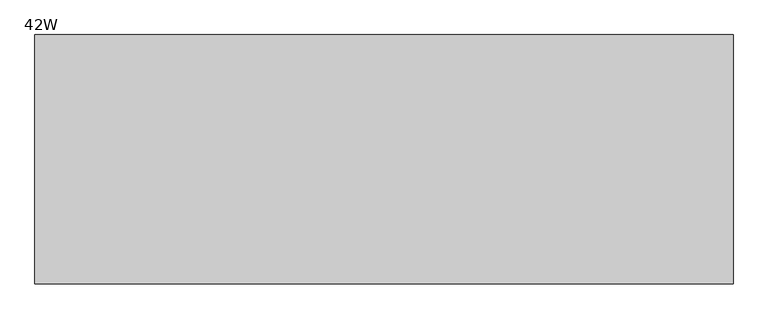
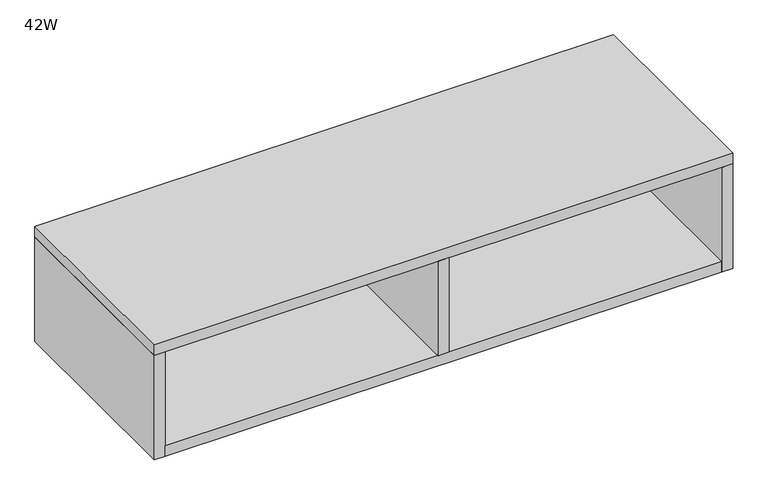
"""IFC4 building model written with IfcOpenShell, lengths in millimetres: furniture geometry, 42W."""

from ifc_helpers import new_model, si_unit, frame, origin, place, context, project, spatial, polyline, outline, extrude, source, transform, mapped, element, save


def furniture_42w_2f7af724(model_context):
    return source(origin(), model_context, "Body", "SweptSolid", [
        extrude(outline(polyline([(523.24, -20.32), (20.32, -20.32), (20.32, 0.0), (1046.48, 0.0), (1046.48, -20.32), (543.56, -20.32), (543.56, -381.0), (523.24, -381.0), (523.24, -20.32)])), frame((0.0, 0.0, 1484.78875), z_axis=(0.0, 0.0, 1.0), x_axis=(1.0, 0.0, 0.0)), (0.0, 0.0, 1.0), 183.99125),
        extrude(outline(polyline([(1066.8, -381.0), (0.0, -381.0), (0.0, 0.0), (1066.8, 0.0), (1066.8, -381.0)])), frame((0.0, 0.0, 1668.78), z_axis=(0.0, 0.0, 1.0), x_axis=(1.0, 0.0, 0.0)), (0.0, 0.0, 1.0), 20.32),
        extrude(outline(polyline([(1046.48, -381.0), (20.32, -381.0), (20.32, 0.0), (1046.48, 0.0), (1046.48, -381.0)])), frame((0.0, 0.0, 1464.46875), z_axis=(0.0, 0.0, 1.0), x_axis=(1.0, 0.0, 0.0)), (0.0, 0.0, 1.0), 20.32),
        extrude(outline(polyline([(20.32, -381.0), (0.0, -381.0), (0.0, 0.0), (20.32, 0.0), (20.32, -381.0)])), frame((0.0, 0.0, 1464.46875), z_axis=(0.0, 0.0, 1.0), x_axis=(1.0, 0.0, 0.0)), (0.0, 0.0, 1.0), 204.31125),
        extrude(outline(polyline([(1066.8, -381.0), (1046.48, -381.0), (1046.48, 0.0), (1066.8, 0.0), (1066.8, -381.0)])), frame((0.0, 0.0, 1464.46875), z_axis=(0.0, 0.0, 1.0), x_axis=(1.0, 0.0, 0.0)), (0.0, 0.0, 1.0), 204.31125),
    ])


if __name__ == "__main__":
    model = new_model("IFC4")
    model_context = context("Model", 3, world=origin())
    ifc_project = project(units=[si_unit("LENGTHUNIT", "METRE", prefix="MILLI")], contexts=[model_context])
    site = spatial("IfcSite", under=ifc_project)
    building = spatial("IfcBuilding", under=site)
    placement = place(None, origin())
    furniture_42w_shape = furniture_42w_2f7af724(model_context)
    element("IfcFurniture", 1, ObjectType="42W", at=placement, inside=building, context=model_context, shape_type="MappedRepresentation", body=[
        mapped(furniture_42w_shape, transform((0.0, 0.0, 0.0), x_axis=(1.0, 0.0, 0.0), y_axis=(0.0, 1.0, 0.0), z_axis=(0.0, 0.0, 1.0))),
    ])
    save(model, "model.ifc")
